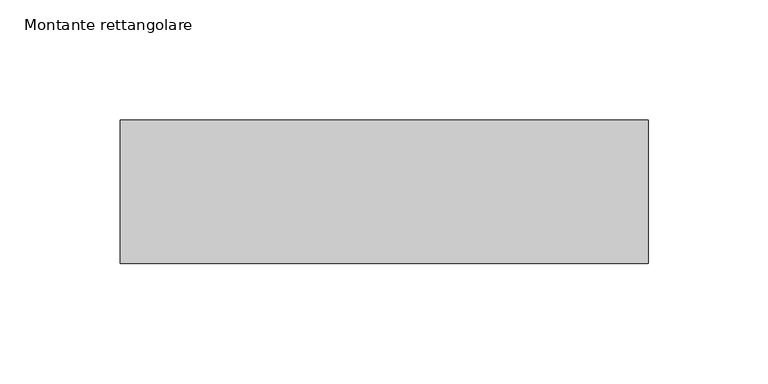
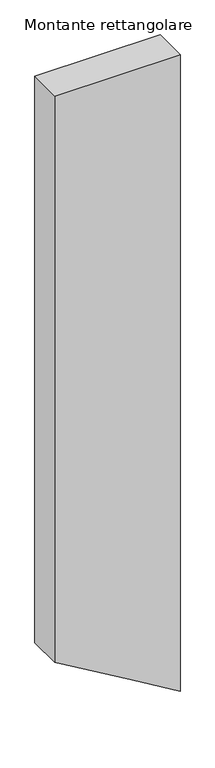
"""IFC4 building model written with IfcOpenShell, lengths in millimetres: member geometry, Montante rettangolare."""

from ifc_helpers import new_model, si_unit, frame, origin, place, context, project, spatial, polyline, outline, extrude, source, transform, mapped, element, save


def montante_rettangolare_229ad063(model_context):
    return source(origin(), model_context, "Body", "SweptSolid", [
        extrude(outline(polyline([(0.0, 110.0), (0.0, -110.0), (-1051.1576336, -110.0), (-1131.6277641, 25.5271459), (-1181.7840745, 110.0), (0.0, 110.0)])), frame((0.0, -30.0, 0.0), z_axis=(0.0, 1.0, 0.0), x_axis=(0.0, 0.0, 1.0)), (0.0, 0.0, 1.0), 60.0),
    ])


if __name__ == "__main__":
    model = new_model("IFC4")
    model_context = context("Model", 3, world=origin())
    ifc_project = project(units=[si_unit("LENGTHUNIT", "METRE", prefix="MILLI")], contexts=[model_context])
    site = spatial("IfcSite", under=ifc_project)
    building = spatial("IfcBuilding", under=site)
    placement = place(None, origin())
    montante_rettangolare_shape = montante_rettangolare_229ad063(model_context)
    element("IfcMember", 1, ObjectType="Montante rettangolare", at=placement, inside=building, context=model_context, shape_type="MappedRepresentation", body=[
        mapped(montante_rettangolare_shape, transform((0.0, 0.0, 0.0), x_axis=(1.0, 0.0, 0.0), y_axis=(0.0, 1.0, 0.0), z_axis=(0.0, 0.0, 1.0))),
    ])
    save(model, "model.ifc")
